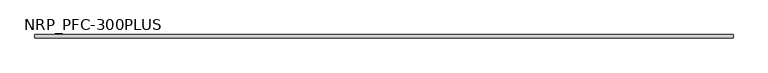
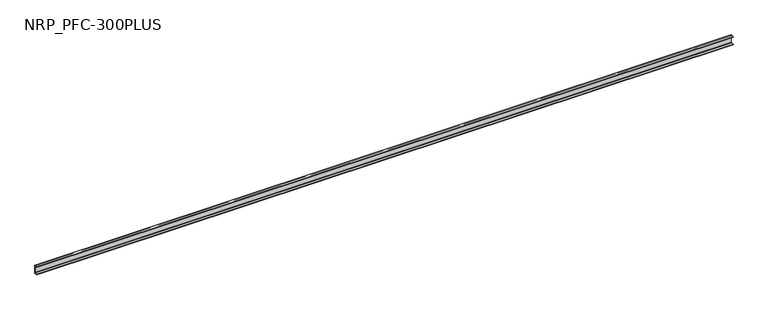
"""IFC4 building model written with IfcOpenShell, lengths in millimetres: beam geometry, NRP_PFC-300PLUS."""

from ifc_helpers import new_model, si_unit, point, frame, frame_2d, origin, place, context, project, spatial, polyline, circle_curve, trimmed, segment, composite_curve, outline, extrude, source, transform, mapped, element, save


def nrp_pfc_300plus_09648799(model_context):
    return source(origin(), model_context, "Body", "SweptSolid", [
        extrude(outline(composite_curve([segment(polyline([(24.4, 100.0), (24.4, -100.0), (-50.6, -100.0), (-50.6, -88.0), (6.4, -88.0)]), True, "CONTINUOUS"), segment(trimmed(circle_curve(frame_2d((6.4, -76.0)), 12.0), [point((6.4, -88.0))], [point((18.4, -76.0))], True, "CARTESIAN"), True, "CONTINUOUS"), segment(polyline([(18.4, -76.0), (18.4, 76.0)]), True, "CONTINUOUS"), segment(trimmed(circle_curve(frame_2d((6.4, 76.0)), 12.0), [point((18.4, 76.0))], [point((6.4, 88.0))], True, "CARTESIAN"), True, "CONTINUOUS"), segment(polyline([(6.4, 88.0), (-50.6, 88.0), (-50.6, 100.0), (24.4, 100.0)]), True, "CONTINUOUS")], self_intersect=False)), frame((-8197.5, 0.0, 0.0), z_axis=(1.0, 0.0, 0.0), x_axis=(0.0, 1.0, 0.0)), (0.0, 0.0, 1.0), 16396.0),
    ])


if __name__ == "__main__":
    model = new_model("IFC4")
    model_context = context("Model", 3, world=origin())
    ifc_project = project(units=[si_unit("LENGTHUNIT", "METRE", prefix="MILLI")], contexts=[model_context])
    site = spatial("IfcSite", under=ifc_project)
    building = spatial("IfcBuilding", under=site)
    placement = place(None, origin())
    nrp_pfc_300plus_shape = nrp_pfc_300plus_09648799(model_context)
    element("IfcBeam", 1, ObjectType="NRP_PFC-300PLUS", at=placement, inside=building, context=model_context, shape_type="MappedRepresentation", body=[
        mapped(nrp_pfc_300plus_shape, transform((0.0, 0.0, 0.0), x_axis=(1.0, 0.0, 0.0), y_axis=(0.0, 1.0, 0.0), z_axis=(0.0, 0.0, 1.0))),
    ])
    save(model, "model.ifc")
